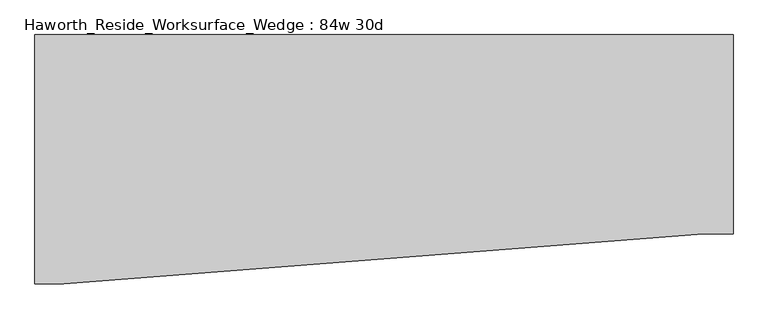
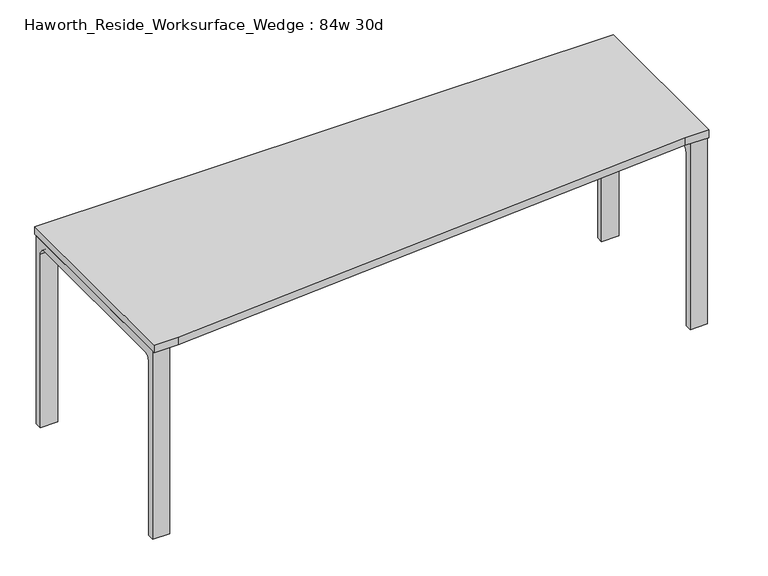
"""IFC4 building model written with IfcOpenShell, lengths in millimetres: furniture geometry, Haworth_Reside_Worksurface_Wedge : 84w 30d."""

from ifc_helpers import new_model, si_unit, point, frame, frame_2d, origin, place, context, project, spatial, polyline, circle_curve, trimmed, segment, composite_curve, outline, extrude, source, transform, mapped, element, save


def haworth_reside_worksurface_wedge_84w_30d_a23a6f63(model_context):
    return source(origin(), model_context, "Body", "SweptSolid", [
        extrude(outline(composite_curve([segment(trimmed(circle_curve(frame_2d((396.875, 676.275)), 25.4), [point((422.275, 676.275))], [point((396.875, 701.675))], True, "CARTESIAN"), True, "CONTINUOUS"), segment(polyline([(396.875, 701.675), (-92.075, 701.675)]), True, "CONTINUOUS"), segment(trimmed(circle_curve(frame_2d((-92.075, 676.275)), 25.4), [point((-92.075, 701.675))], [point((-117.475, 676.275))], True, "CARTESIAN"), True, "CONTINUOUS"), segment(polyline([(-117.475, 676.275), (-117.475, 0.0), (-142.875, 0.0), (-142.875, 731.8375), (447.675, 731.8375), (447.675, 0.0), (422.275, 0.0), (422.275, 676.275)]), True, "CONTINUOUS")], self_intersect=False)), frame((1003.3, 0.0, 0.0), z_axis=(1.0, 0.0, 0.0), x_axis=(0.0, 1.0, 0.0)), (0.0, 0.0, 1.0), 63.5),
        extrude(outline(composite_curve([segment(trimmed(circle_curve(frame_2d((396.875, 676.275)), 25.4), [point((422.275, 676.275))], [point((396.875, 701.675))], True, "CARTESIAN"), True, "CONTINUOUS"), segment(polyline([(396.875, 701.675), (-244.475, 701.675)]), True, "CONTINUOUS"), segment(trimmed(circle_curve(frame_2d((-244.475, 676.275)), 25.4), [point((-244.475, 701.675))], [point((-269.875, 676.275))], True, "CARTESIAN"), True, "CONTINUOUS"), segment(polyline([(-269.875, 676.275), (-269.875, 0.0), (-295.275, 0.0), (-295.275, 731.8375), (447.675, 731.8375), (447.675, 0.0), (422.275, 0.0), (422.275, 676.275)]), True, "CONTINUOUS")], self_intersect=False)), frame((-1066.8, 0.0, 0.0), z_axis=(1.0, 0.0, 0.0), x_axis=(0.0, 1.0, 0.0)), (0.0, 0.0, 1.0), 63.5),
        extrude(outline(polyline([(1066.8, 457.2), (1066.8, -152.4), (977.9, -152.4), (-977.9, -304.8), (-1066.8, -304.8), (-1066.8, 457.2), (1066.8, 457.2)])), frame((0.0, 0.0, 731.8375), z_axis=(0.0, 0.0, 1.0), x_axis=(1.0, 0.0, 0.0)), (0.0, 0.0, 1.0), 30.1625),
    ])


if __name__ == "__main__":
    model = new_model("IFC4")
    model_context = context("Model", 3, world=origin())
    ifc_project = project(units=[si_unit("LENGTHUNIT", "METRE", prefix="MILLI")], contexts=[model_context])
    site = spatial("IfcSite", under=ifc_project)
    building = spatial("IfcBuilding", under=site)
    placement = place(None, origin())
    haworth_reside_worksurface_wedge_84w_30d_shape = haworth_reside_worksurface_wedge_84w_30d_a23a6f63(model_context)
    element("IfcFurniture", 1, ObjectType="Haworth_Reside_Worksurface_Wedge : 84w 30d", at=placement, inside=building, context=model_context, shape_type="MappedRepresentation", body=[
        mapped(haworth_reside_worksurface_wedge_84w_30d_shape, transform((0.0, 0.0, 0.0), x_axis=(1.0, 0.0, 0.0), y_axis=(0.0, 1.0, 0.0), z_axis=(0.0, 0.0, 1.0))),
    ])
    save(model, "model.ifc")
